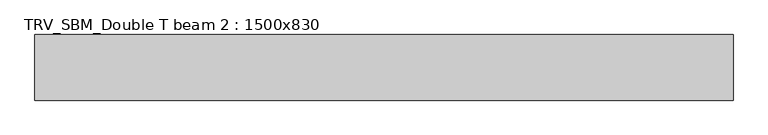
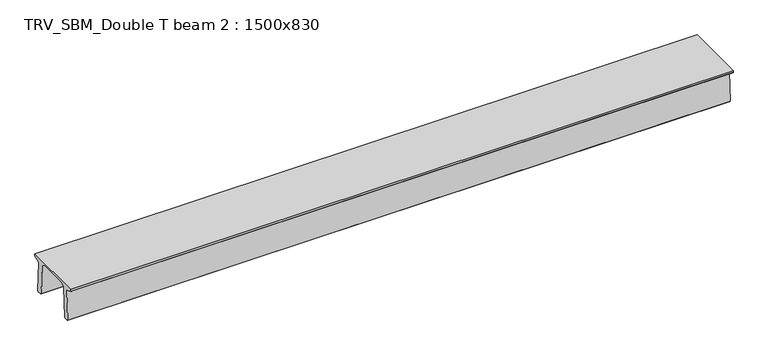
"""IFC4 building model written with IfcOpenShell, lengths in millimetres: beam geometry, TRV_SBM_Double T beam 2 : 1500x830."""

from ifc_helpers import new_model, si_unit, frame, origin, place, context, project, spatial, polyline, outline, extrude, source, transform, mapped, element, save


def trv_sbm_double_t_beam_2_1500x830_9c7a3495(model_context):
    return source(origin(), model_context, "Body", "SweptSolid", [
        extrude(outline(polyline([(337.4555014, 470.0), (-343.4555014, 470.0), (-456.5828437, 409.8491251), (-494.786332, -340.5206011), (-514.2657308, -360.0), (-604.2657308, -360.0), (-624.8277662, -339.4379646), (-586.9373878, 401.9654693), (-752.8511046, 468.9989621), (-753.0, 475.0), (-753.0, 520.0), (747.0, 520.0), (747.0, 475.0), (746.8511046, 468.9989621), (580.9373878, 401.9654693), (618.8277662, -339.4379646), (598.2657308, -360.0), (508.2657308, -360.0), (488.786332, -340.5206011), (450.5828437, 409.8491251), (337.4555014, 470.0)])), frame((-7937.5, 0.0, 0.0), z_axis=(1.0, 0.0, 0.0), x_axis=(0.0, 1.0, 0.0)), (0.0, 0.0, 1.0), 15952.0),
    ])


if __name__ == "__main__":
    model = new_model("IFC4")
    model_context = context("Model", 3, world=origin())
    ifc_project = project(units=[si_unit("LENGTHUNIT", "METRE", prefix="MILLI")], contexts=[model_context])
    site = spatial("IfcSite", under=ifc_project)
    building = spatial("IfcBuilding", under=site)
    placement = place(None, origin())
    trv_sbm_double_t_beam_2_1500x830_shape = trv_sbm_double_t_beam_2_1500x830_9c7a3495(model_context)
    element("IfcBeam", 1, ObjectType="TRV_SBM_Double T beam 2 : 1500x830", at=placement, inside=building, context=model_context, shape_type="MappedRepresentation", body=[
        mapped(trv_sbm_double_t_beam_2_1500x830_shape, transform((0.0, 0.0, 0.0), x_axis=(1.0, 0.0, 0.0), y_axis=(0.0, 1.0, 0.0), z_axis=(0.0, 0.0, 1.0))),
    ])
    save(model, "model.ifc")
